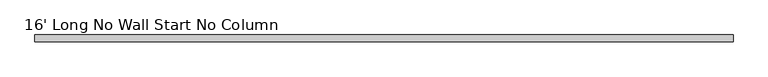
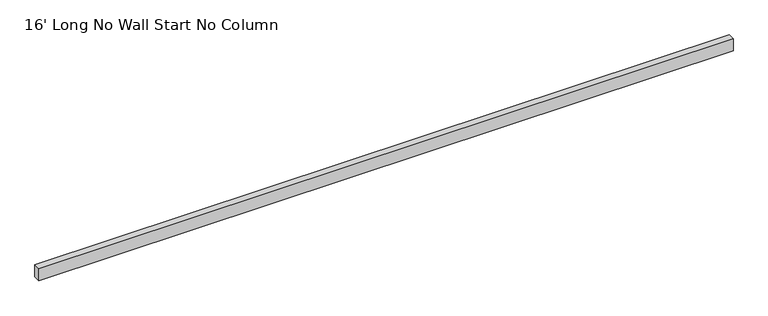
"""IFC4 building model written with IfcOpenShell, lengths in millimetres: furniture geometry, 16' Long No Wall Start No Column."""

from ifc_helpers import new_model, si_unit, frame, origin, place, context, project, spatial, polyline, outline, extrude, source, transform, mapped, element, save


def furniture_16_long_no_wall_start_no_column_7ffc568d(model_context):
    return source(origin(), model_context, "Body", "SweptSolid", [
        extrude(outline(polyline([(5063.4392, -25.4), (0.0, -25.4), (0.0, 25.4), (5063.4392, 25.4), (5063.4392, -25.4)])), frame((0.0, 0.0, 2193.163), z_axis=(0.0, 0.0, 1.0), x_axis=(1.0, 0.0, 0.0)), (0.0, 0.0, 1.0), 92.71),
    ])


if __name__ == "__main__":
    model = new_model("IFC4")
    model_context = context("Model", 3, world=origin())
    ifc_project = project(units=[si_unit("LENGTHUNIT", "METRE", prefix="MILLI")], contexts=[model_context])
    site = spatial("IfcSite", under=ifc_project)
    building = spatial("IfcBuilding", under=site)
    placement = place(None, origin())
    furniture_16_long_no_wall_start_no_column_shape = furniture_16_long_no_wall_start_no_column_7ffc568d(model_context)
    element("IfcFurniture", 1, ObjectType="16' Long No Wall Start No Column", at=placement, inside=building, context=model_context, shape_type="MappedRepresentation", body=[
        mapped(furniture_16_long_no_wall_start_no_column_shape, transform((0.0, 0.0, 0.0), x_axis=(1.0, 0.0, 0.0), y_axis=(0.0, 1.0, 0.0), z_axis=(0.0, 0.0, 1.0))),
    ])
    save(model, "model.ifc")
